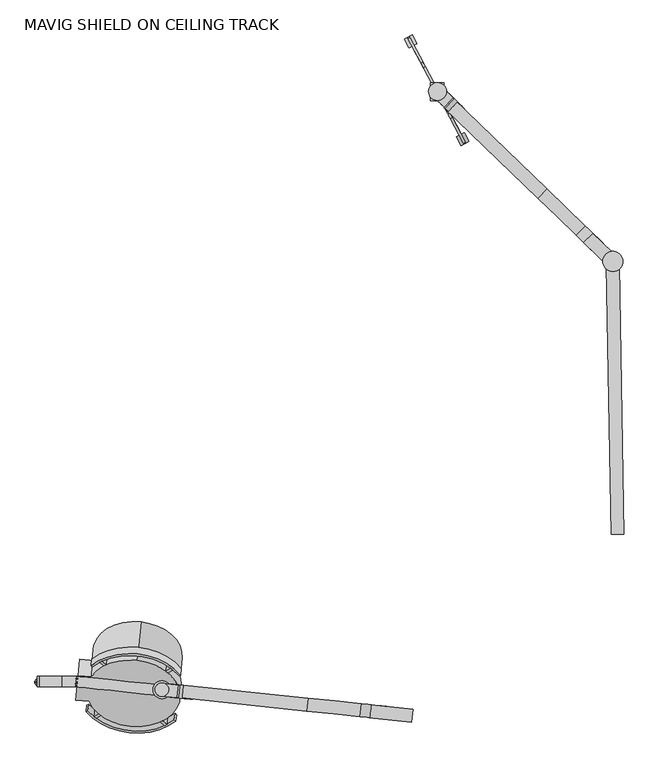
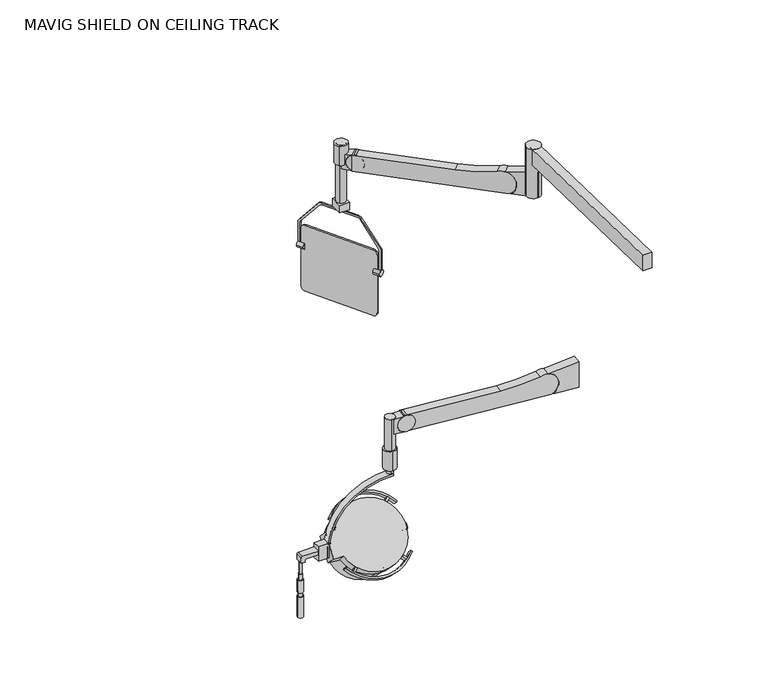
"""IFC4 building model written with IfcOpenShell, lengths in millimetres: proxy geometry, MAVIG SHIELD ON CEILING TRACK."""

from ifc_helpers import new_model, si_unit, point, frame, frame_2d, origin, place, context, project, spatial, polyline, circle_curve, ellipse_curve, trimmed, segment, composite_curve, outline, extrude, source, transform, mapped, element, save
from ifc_brep_helpers import plane_surface, cylinder_surface, revolved_surface, advanced_brep


def mavig_shield_on_ceiling_track_2fd9b06b(model_context):
    return source(origin(), model_context, "Body", "SolidModel", [
        advanced_brep(
        [(-1305.6702452, -813.0394482, 1924.8121858), (-1287.8350902, -643.3492828, 2095.4370521), (-1303.2106931, -789.6383728, 2071.9070769), (-1305.4358693, -810.8095105, 1927.0544067), (-1288.0694661, -645.5792206, 2093.1948312), (-1303.0127539, -787.7551075, 2070.0134381)],
        [
            (0, 1, circle_curve(frame((-1296.7526677, -728.1943655, 2010.124619), z_axis=(-0.07391278520356967, -0.703233176253404, 0.7071067811865475), x_axis=(0.07391278520356882, 0.7032331762534039, 0.7071067811865477)), 120.65)),
            (1, 2, circle_curve(frame((-1291.6310542, -679.465468, 1850.9185502), z_axis=(0.994521895368273, -0.1045284632676576, 0.0), x_axis=(-0.10452846326765822, -0.994521895368273, 0.0)), 247.2004974)),
            (2, 0, circle_curve(frame((-1280.111102, -569.8604443, 1961.127309), z_axis=(0.9945218953682734, -0.10452846326765301, 0.0), x_axis=(0.0, 0.0, 1.0000000000000002)), 247.2004974)),
            (1, 0, circle_curve(frame((-1296.7526677, -728.1943655, 2010.124619), z_axis=(-0.07391278520356967, -0.703233176253404, 0.7071067811865475), x_axis=(0.07391278520356882, 0.7032331762534039, 0.7071067811865477)), 120.65)),
            (3, 4, circle_curve(frame((-1296.7526677, -728.1943655, 2010.124619), z_axis=(-0.07391278520356967, -0.703233176253404, 0.7071067811865475), x_axis=(0.07391278520356882, 0.7032331762534039, 0.7071067811865477)), 117.4790208)),
            (4, 1),
            (0, 3),
            (4, 3, circle_curve(frame((-1296.7526677, -728.1943655, 2010.124619), z_axis=(-0.07391278520356967, -0.703233176253404, 0.7071067811865475), x_axis=(0.07391278520356882, 0.7032331762534039, 0.7071067811865477)), 117.4790208)),
            (5, 4, circle_curve(frame((-1291.6310542, -679.465468, 1850.9185502), z_axis=(-0.994521895368273, 0.1045284632676576, 0.0), x_axis=(-0.10452846326765822, -0.994521895368273, 0.0)), 244.6604974)),
            (3, 5, circle_curve(frame((-1280.111102, -569.8604443, 1961.127309), z_axis=(-0.9945218953682734, 0.10452846326765301, 0.0), x_axis=(0.0, 0.0, 1.0000000000000002)), 244.6604974)),
        ],
        [
            revolved_surface(trimmed(ellipse_curve(frame((-1291.6310542, -679.465468, 1850.9185502), z_axis=(-0.994521895368273, 0.1045284632676576, 0.0), x_axis=(-0.10452846326765822, -0.994521895368273, 0.0)), 247.2004974, 247.2004974), [point((-1303.2106931, -789.6383728, 2071.9070769))], [point((-1287.8350902, -643.3492828, 2095.4370521))], True, "CARTESIAN"), (-1298.4359791, -744.2100033, 2026.2284753), (0.07391278520356967, 0.703233176253404, -0.7071067811865475)),
            revolved_surface(trimmed(ellipse_curve(frame((-1291.6310542, -679.465468, 1850.9185502), z_axis=(-0.9945218953682728, 0.10452846326765822, 0.0), x_axis=(-0.10452846326765881, -0.9945218953682728, 0.0)), 247.2004974, 247.2004974), [point((-1303.2106931, -789.6383728, 2071.9070769))], [point((-1287.8350902, -643.3492828, 2095.4370521))], True, "CARTESIAN"), (-1298.4359791, -744.2100033, 2026.2284753), (0.07391278520356967, 0.703233176253404, -0.7071067811865475)),
            plane_surface(frame((-1296.7526677, -728.1943655, 2010.124619), z_axis=(0.07391278520356884, 0.7032331762534041, -0.7071067811865475), x_axis=(0.07391278520356882, 0.7032331762534039, 0.7071067811865477))),
            revolved_surface(trimmed(ellipse_curve(frame((-1291.6310542, -679.465468, 1850.9185502), z_axis=(0.994521895368273, -0.1045284632676576, 0.0), x_axis=(-0.10452846326765822, -0.994521895368273, 0.0)), 244.6604974, 244.6604974), [point((-1288.0694661, -645.5792206, 2093.1948312))], [point((-1303.0127539, -787.7551075, 2070.0134381))], True, "CARTESIAN"), (-1298.4359791, -744.2100033, 2026.2284753), (0.07391278520356967, 0.703233176253404, -0.7071067811865475)),
            revolved_surface(trimmed(ellipse_curve(frame((-1291.6310542, -679.465468, 1850.9185502), z_axis=(0.9945218953682728, -0.10452846326765822, 0.0), x_axis=(-0.10452846326765881, -0.9945218953682728, 0.0)), 244.6604974, 244.6604974), [point((-1288.0694661, -645.5792206, 2093.1948312))], [point((-1303.0127539, -787.7551075, 2070.0134381))], True, "CARTESIAN"), (-1298.4359791, -744.2100033, 2026.2284753), (0.07391278520356967, 0.703233176253404, -0.7071067811865475)),
        ],
        [
            (0, [[1, 2, 3]]),
            (1, [[4, -3, -2]]),
            (2, [[5, 6, -1, 7]]),
            (2, [[8, -7, -4, -6]]),
            (3, [[9, -5, 10]]),
            (4, [[-10, -8, -9]]),
        ],
    ),
        advanced_brep(
        [(-1304.1493855, -798.5694341, 2062.9268208), (-1302.2720007, -780.7073114, 2080.8873331), (-1303.2106931, -789.6383728, 2071.9070769), (-1300.8639622, -767.3107194, 2031.4959244), (-1298.9865774, -749.4485967, 2049.4564366), (-1299.9252698, -758.3796581, 2040.4761805)],
        [
            (0, 1, circle_curve(frame((-1303.2106931, -789.6383728, 2071.9070769), z_axis=(-0.07391278520356967, -0.703233176253404, 0.7071067811865475), x_axis=(0.07391278520356882, 0.7032331762534039, 0.7071067811865477)), 12.7)),
            (1, 2),
            (2, 0),
            (1, 0, circle_curve(frame((-1303.2106931, -789.6383728, 2071.9070769), z_axis=(-0.07391278520356967, -0.703233176253404, 0.7071067811865475), x_axis=(0.07391278520356882, 0.7032331762534039, 0.7071067811865477)), 12.7)),
            (3, 4, circle_curve(frame((-1299.9252698, -758.3796581, 2040.4761805), z_axis=(-0.07391278520356967, -0.703233176253404, 0.7071067811865475), x_axis=(0.07391278520356882, 0.7032331762534039, 0.7071067811865477)), 12.7)),
            (4, 1),
            (0, 3),
            (4, 3, circle_curve(frame((-1299.9252698, -758.3796581, 2040.4761805), z_axis=(-0.07391278520356967, -0.703233176253404, 0.7071067811865475), x_axis=(0.07391278520356882, 0.7032331762534039, 0.7071067811865477)), 12.7)),
            (5, 4),
            (3, 5),
        ],
        [
            plane_surface(frame((-1303.2106931, -789.6383728, 2071.9070769), z_axis=(-0.07391278520356884, -0.7032331762534041, 0.7071067811865475), x_axis=(0.07391278520356882, 0.7032331762534039, 0.7071067811865477))),
            cylinder_surface(frame((-1298.4359791, -744.2100033, 2026.2284753), z_axis=(0.07391278520356967, 0.703233176253404, -0.7071067811865475), x_axis=(0.07391278520356882, 0.7032331762534039, 0.7071067811865477)), 12.7),
            plane_surface(frame((-1299.9252698, -758.3796581, 2040.4761805), z_axis=(0.07391278520356884, 0.7032331762534041, -0.7071067811865475), x_axis=(0.07391278520356882, 0.7032331762534039, 0.7071067811865477))),
        ],
        [
            (0, [[1, 2, 3]]),
            (0, [[4, -3, -2]]),
            (1, [[5, 6, -1, 7]]),
            (1, [[8, -7, -4, -6]]),
            (2, [[9, -5, 10]]),
            (2, [[-10, -8, -9]]),
        ],
    ),
        extrude(outline(composite_curve([segment(trimmed(circle_curve(frame_2d((0.0, -107.9499999)), 107.95), [point((0.0, 0.0))], [point((0.0, -215.8999999))], False, "CARTESIAN"), True, "CONTINUOUS"), segment(trimmed(circle_curve(frame_2d((0.0, -107.9499999)), 107.95), [point((0.0, -215.8999999))], [point((0.0, 0.0))], False, "CARTESIAN"), True, "CONTINUOUS")], self_intersect=False)), frame((-1288.141506, -648.5723395, 2082.7030132), z_axis=(-0.07391278520356517, -0.7032331762534036, 0.7071067811865482), x_axis=(0.9945218953682736, -0.10452846326765139, 0.0)), (0.0, 0.0, 1.0), 5.3086505),
        advanced_brep(
        [(-1312.1282706, -874.4834555, 1986.5946438), (-1294.2931156, -704.79329, 2157.2195101), (-1303.2106931, -789.6383728, 2071.9070769), (-1305.6702452, -813.0394482, 1924.8121858), (-1287.8350902, -643.3492828, 2095.4370521), (-1303.2106931, -789.6383728, 2071.9070769)],
        [
            (0, 1, circle_curve(frame((-1303.2106931, -789.6383728, 2071.9070769), z_axis=(-0.07391278520356967, -0.703233176253404, 0.7071067811865475), x_axis=(0.07391278520356882, 0.7032331762534039, 0.7071067811865477)), 120.65)),
            (1, 2),
            (2, 0),
            (1, 0, circle_curve(frame((-1303.2106931, -789.6383728, 2071.9070769), z_axis=(-0.07391278520356967, -0.703233176253404, 0.7071067811865475), x_axis=(0.07391278520356882, 0.7032331762534039, 0.7071067811865477)), 120.65)),
            (3, 4, circle_curve(frame((-1296.7526677, -728.1943655, 2010.124619), z_axis=(-0.07391278520356967, -0.703233176253404, 0.7071067811865475), x_axis=(0.07391278520356882, 0.7032331762534039, 0.7071067811865477)), 120.65)),
            (4, 1),
            (0, 3),
            (4, 3, circle_curve(frame((-1296.7526677, -728.1943655, 2010.124619), z_axis=(-0.07391278520356967, -0.703233176253404, 0.7071067811865475), x_axis=(0.07391278520356882, 0.7032331762534039, 0.7071067811865477)), 120.65)),
            (5, 4, circle_curve(frame((-1291.6310542, -679.465468, 1850.9185502), z_axis=(-0.994521895368273, 0.1045284632676576, 0.0), x_axis=(-0.10452846326765822, -0.994521895368273, 0.0)), 247.2004974)),
            (3, 5, circle_curve(frame((-1280.111102, -569.8604443, 1961.127309), z_axis=(-0.9945218953682734, 0.10452846326765301, 0.0), x_axis=(0.0, 0.0, 1.0000000000000002)), 247.2004974)),
        ],
        [
            plane_surface(frame((-1303.2106931, -789.6383728, 2071.9070769), z_axis=(-0.07391278520356884, -0.7032331762534041, 0.7071067811865475), x_axis=(0.07391278520356882, 0.7032331762534039, 0.7071067811865477))),
            cylinder_surface(frame((-1298.4359791, -744.2100033, 2026.2284753), z_axis=(0.07391278520356967, 0.703233176253404, -0.7071067811865475), x_axis=(0.07391278520356882, 0.7032331762534039, 0.7071067811865477)), 120.65),
            revolved_surface(trimmed(ellipse_curve(frame((-1291.6310542, -679.465468, 1850.9185502), z_axis=(0.994521895368273, -0.1045284632676576, 0.0), x_axis=(-0.10452846326765822, -0.994521895368273, 0.0)), 247.2004974, 247.2004974), [point((-1287.8350902, -643.3492828, 2095.4370521))], [point((-1303.2106931, -789.6383728, 2071.9070769))], True, "CARTESIAN"), (-1298.4359791, -744.2100033, 2026.2284753), (0.07391278520356967, 0.703233176253404, -0.7071067811865475)),
            revolved_surface(trimmed(ellipse_curve(frame((-1291.6310542, -679.465468, 1850.9185502), z_axis=(0.9945218953682728, -0.10452846326765822, 0.0), x_axis=(-0.10452846326765881, -0.9945218953682728, 0.0)), 247.2004974, 247.2004974), [point((-1287.8350902, -643.3492828, 2095.4370521))], [point((-1303.2106931, -789.6383728, 2071.9070769))], True, "CARTESIAN"), (-1298.4359791, -744.2100033, 2026.2284753), (0.07391278520356967, 0.703233176253404, -0.7071067811865475)),
        ],
        [
            (0, [[1, 2, 3]]),
            (0, [[4, -3, -2]]),
            (1, [[5, 6, -1, 7]]),
            (1, [[8, -7, -4, -6]]),
            (2, [[9, -5, 10]]),
            (3, [[-10, -8, -9]]),
        ],
    ),
        advanced_brep(
        [(-1295.0465496, -714.269441, 2175.7027611), (-1313.8203971, -892.8906677, 1996.0976387), (-1286.462425, -632.596951, 2093.5803962), (-1305.2362725, -811.2181778, 1913.9752738), (-1287.8704636, -645.993543, 2080.1100121), (-1303.8282339, -797.8215858, 1927.445658), (-1294.9919085, -713.7495658, 2148.239254), (-1310.9496789, -865.5776086, 1995.5748999)],
        [
            (0, 1, circle_curve(frame((-1304.4334733, -803.5800543, 2085.9001999), z_axis=(-0.07391278520356515, -0.7032331762534036, 0.7071067811865482), x_axis=(-0.07391278520356531, -0.7032331762534051, -0.7071067811865469)), 127.0)),
            (1, 0, circle_curve(frame((-1304.4334733, -803.5800543, 2085.9001999), z_axis=(-0.07391278520356515, -0.7032331762534036, 0.7071067811865482), x_axis=(-0.07391278520356531, -0.7032331762534051, -0.7071067811865469)), 127.0)),
            (2, 3, circle_curve(frame((-1295.8493487, -721.9075644, 2003.777835), z_axis=(0.07391278520356515, 0.7032331762534036, -0.7071067811865482), x_axis=(-0.07391278520356531, -0.7032331762534051, -0.7071067811865469)), 127.0)),
            (3, 2, circle_curve(frame((-1295.8493487, -721.9075644, 2003.777835), z_axis=(0.07391278520356515, 0.7032331762534036, -0.7071067811865482), x_axis=(-0.07391278520356531, -0.7032331762534051, -0.7071067811865469)), 127.0)),
            (4, 5, circle_curve(frame((-1295.8493487, -721.9075644, 2003.777835), z_axis=(-0.0739127852035652, -0.7032331762534038, 0.7071067811865483), x_axis=(-0.07391278520356531, -0.7032331762534051, -0.7071067811865469)), 107.95)),
            (5, 4, circle_curve(frame((-1295.8493487, -721.9075644, 2003.777835), z_axis=(-0.0739127852035652, -0.7032331762534038, 0.7071067811865483), x_axis=(-0.07391278520356531, -0.7032331762534051, -0.7071067811865469)), 107.95)),
            (0, 2),
            (3, 1),
            (6, 7, circle_curve(frame((-1302.9707937, -789.6635872, 2071.9070769), z_axis=(0.0739127852035652, 0.7032331762534038, -0.7071067811865483), x_axis=(-0.07391278520356531, -0.7032331762534051, -0.7071067811865469)), 107.95)),
            (7, 6, circle_curve(frame((-1302.9707937, -789.6635872, 2071.9070769), z_axis=(0.0739127852035652, 0.7032331762534038, -0.7071067811865483), x_axis=(-0.07391278520356531, -0.7032331762534051, -0.7071067811865469)), 107.95)),
            (7, 5),
            (4, 6),
        ],
        [
            plane_surface(frame((-1313.8203971, -892.8906677, 1996.0976387), z_axis=(-0.07391278520356517, -0.7032331762534036, 0.7071067811865483), x_axis=(0.9945218953682736, -0.10452846326765138, 0.0))),
            plane_surface(frame((-1305.2362725, -811.2181778, 1913.9752738), z_axis=(0.07391278520356517, 0.7032331762534036, -0.7071067811865483), x_axis=(-0.9945218953682736, 0.10452846326765138, 0.0))),
            cylinder_surface(frame((-1295.8493487, -721.9075644, 2003.777835), z_axis=(-0.07391278520356516, -0.7032331762534038, 0.7071067811865483), x_axis=(-0.07391278520356531, -0.7032331762534051, -0.7071067811865469)), 127.0),
            plane_surface(frame((-1310.9496789, -865.5776086, 1995.5748999), z_axis=(0.07391278520356517, 0.7032331762534036, -0.7071067811865483), x_axis=(0.9945218953682736, -0.10452846326765139, 0.0))),
            revolved_surface(polyline([(-1310.9496788260976, -865.577608598772, 1995.5748999089462), (-1303.828233862725, -797.821585776555, 1927.4456579709124)]), (-1295.8493487, -721.9075644, 2003.777835), (-0.07391278520356521, -0.7032331762534039, 0.7071067811865485)),
        ],
        [
            (0, [[1, 2]]),
            (1, [[3, 4], [5, 6]]),
            (2, [[-1, 7, -4, 8]]),
            (2, [[-2, -8, -3, -7]]),
            (3, [[9, 10]]),
            (4, [[-10, 11, -5, 12]]),
            (4, [[-9, -12, -6, -11]]),
        ],
    ),
        advanced_brep(
        [(-513.8942609, 1001.8395463, 2046.4112668), (-522.8376942, 1018.6596979, 2027.3612668), (-522.8376942, 1018.6596979, 1784.8611512), (-513.8942609, 1001.8395463, 1765.8111512), (-383.4691924, 756.5456681, 1765.8111512), (-374.5257591, 739.7255165, 1784.8611512), (-374.5257591, 739.7255165, 2027.3612668), (-383.4691924, 756.5456681, 2046.4112668), (-508.4514172, 1004.7335576, 2046.4289905), (-377.9850696, 759.3620447, 2046.4289905), (-369.0829154, 742.6195278, 2027.3612668), (-369.0829154, 742.6195278, 1784.8611512), (-378.0263487, 759.4396794, 1765.8111512), (-508.4514172, 1004.7335576, 1765.8111512), (-517.3948505, 1021.5537092, 1784.8611512), (-517.3948505, 1021.5537092, 2027.3612668)],
        [
            (0, 1, circle_curve(frame((-513.8942609, 1001.8395463, 2027.3612668), z_axis=(-0.8829475928589281, -0.4694715627858887, 0.0), x_axis=(0.4694715627858887, -0.8829475928589281, 0.0)), 19.05)),
            (1, 2),
            (2, 3, circle_curve(frame((-513.8942609, 1001.8395463, 1784.8611512), z_axis=(-0.8829475928589281, -0.4694715627858887, 0.0), x_axis=(0.4694715627858887, -0.8829475928589281, 0.0)), 19.05)),
            (3, 4),
            (4, 5, circle_curve(frame((-383.4691924, 756.5456681, 1784.8611512), z_axis=(-0.8829475928589281, -0.4694715627858887, 0.0), x_axis=(0.4694715627858887, -0.8829475928589281, 0.0)), 19.05)),
            (5, 6),
            (6, 7, circle_curve(frame((-383.4691924, 756.5456681, 2027.3612668), z_axis=(-0.8829475928589281, -0.4694715627858887, 0.0), x_axis=(0.4694715627858887, -0.8829475928589281, 0.0)), 19.05)),
            (7, 0),
            (8, 9),
            (9, 10, circle_curve(frame((-378.0263487, 759.4396794, 2027.3612668), z_axis=(0.8829475928589281, 0.4694715627858887, 0.0), x_axis=(0.4694715627858887, -0.8829475928589281, 0.0)), 19.05)),
            (10, 11),
            (11, 12, circle_curve(frame((-378.0263487, 759.4396794, 1784.8611512), z_axis=(0.8829475928589281, 0.4694715627858887, 0.0), x_axis=(0.4694715627858887, -0.8829475928589281, 0.0)), 19.05)),
            (12, 13),
            (13, 14, circle_curve(frame((-508.4514172, 1004.7335576, 1784.8611512), z_axis=(0.8829475928589281, 0.4694715627858887, 0.0), x_axis=(0.4694715627858887, -0.8829475928589281, 0.0)), 19.05)),
            (14, 15),
            (15, 8, circle_curve(frame((-508.4514172, 1004.7335576, 2027.3612668), z_axis=(0.8829475928589281, 0.4694715627858887, 0.0), x_axis=(0.4694715627858887, -0.8829475928589281, 0.0)), 19.05)),
            (1, 15),
            (14, 2),
            (3, 13),
            (12, 4),
            (7, 9),
            (8, 0),
            (11, 5),
            (10, 6),
        ],
        [
            plane_surface(frame((-504.9508276, 985.0193946, 2027.3612668), z_axis=(-0.8829475928589281, -0.4694715627858887, 0.0), x_axis=(0.0, 0.0, 1.0))),
            plane_surface(frame((-499.507984, 987.9134059, 2027.3612668), z_axis=(0.8829475928589281, 0.4694715627858887, 0.0), x_axis=(0.0, 0.0, -1.0))),
            plane_surface(frame((-522.8376942, 1018.6596979, 2027.3612668), z_axis=(-0.46947156278589225, 0.8829475928589262, 0.0), x_axis=(0.8829475928589262, 0.46947156278589225, 0.0))),
            plane_surface(frame((-513.8942609, 1001.8395463, 1765.8111512), z_axis=(0.0, 0.0, -1.0000000000000002), x_axis=(0.8829475928589262, 0.46947156278589225, 0.0))),
            plane_surface(frame((-383.4279132, 756.4680334, 2046.4289905), z_axis=(0.0, 0.0, 1.0000000000000002), x_axis=(0.8829475928589262, 0.46947156278589225, 0.0))),
            cylinder_surface(frame((-508.4514172, 1004.7335576, 2027.3612668), z_axis=(-0.8829475928589281, -0.4694715627858887, 0.0), x_axis=(0.4694715627858887, -0.8829475928589281, 0.0)), 19.05),
            cylinder_surface(frame((-508.4514172, 1004.7335576, 1784.8611512), z_axis=(-0.8829475928589281, -0.4694715627858887, 0.0), x_axis=(0.4694715627858887, -0.8829475928589281, 0.0)), 19.05),
            cylinder_surface(frame((-378.0263487, 759.4396794, 1784.8611512), z_axis=(-0.8829475928589281, -0.4694715627858887, 0.0), x_axis=(0.4694715627858887, -0.8829475928589281, 0.0)), 19.05),
            plane_surface(frame((-374.5257591, 739.7255165, 1784.8611512), z_axis=(0.46947156278589225, -0.8829475928589262, 0.0), x_axis=(0.8829475928589262, 0.46947156278589225, 0.0))),
            cylinder_surface(frame((-378.0263487, 759.4396794, 2027.3612668), z_axis=(-0.8829475928589281, -0.4694715627858887, 0.0), x_axis=(0.4694715627858887, -0.8829475928589281, 0.0)), 19.05),
        ],
        [
            (0, [[1, 2, 3, 4, 5, 6, 7, 8]]),
            (1, [[9, 10, 11, 12, 13, 14, 15, 16]]),
            (2, [[-2, 17, -15, 18]]),
            (3, [[-4, 19, -13, 20]]),
            (4, [[-8, 21, -9, 22]]),
            (5, [[-1, -22, -16, -17]]),
            (6, [[-3, -18, -14, -19]]),
            (7, [[-5, -20, -12, 23]]),
            (8, [[-6, -23, -11, 24]]),
            (9, [[-7, -24, -10, -21]]),
        ],
    ),
        extrude(outline(composite_curve([segment(trimmed(circle_curve(frame_2d((0.0, -12.7)), 12.7), [point((0.0, -25.4))], [point((0.0, 0.0))], False, "CARTESIAN"), True, "CONTINUOUS"), segment(trimmed(circle_curve(frame_2d((0.0, -12.7)), 12.7), [point((0.0, 0.0))], [point((0.0, -25.4))], False, "CARTESIAN"), True, "CONTINUOUS")], self_intersect=False)), frame((-523.812155, 1000.15818, 1957.1110612), z_axis=(-0.46947156278589297, 0.8829475928589258, 0.0), x_axis=(0.0, 0.0, -1.0)), (0.0, 0.0, 1.0), 27.7312661),
        extrude(outline(composite_curve([segment(trimmed(circle_curve(frame_2d((0.0, -12.7)), 12.7), [point((0.0, -25.3999999))], [point((0.0, 0.0))], False, "CARTESIAN"), True, "CONTINUOUS"), segment(trimmed(circle_curve(frame_2d((0.0, -12.7)), 12.7), [point((0.0, 0.0))], [point((0.0, -25.3999999))], False, "CARTESIAN"), True, "CONTINUOUS")], self_intersect=False)), frame((-375.9280269, 722.0285866, 1957.1110612), z_axis=(-0.4694715627858873, 0.8829475928589289, 0.0), x_axis=(0.0, 0.0, -1.0)), (0.0, 0.0, 1.0), 27.7312661),
        extrude(outline(polyline([(-462.8551233, 850.0746977), (-462.8551233, 900.8746977), (-423.7336203, 900.8746977), (-423.7336203, 850.0746977), (-462.8551233, 850.0746977)])), frame((0.0, 0.0, 2174.6956266), z_axis=(0.0, 0.0, 1.0), x_axis=(1.0, 0.0, 0.0)), (0.0, 0.0, 1.0), 31.75),
        extrude(outline(composite_curve([segment(trimmed(circle_curve(frame_2d((0.0, -20.2693963)), 20.2693964), [point((12.7168685, -4.4855538))], [point((20.2693964, -20.2693963))], False, "CARTESIAN"), True, "CONTINUOUS"), segment(polyline([(20.2693964, -20.2693963), (20.2693964, -168.0406938)]), True, "CONTINUOUS"), segment(trimmed(circle_curve(frame_2d((0.0, -168.0406938)), 20.2693964), [point((20.2693964, -168.0406938))], [point((11.9140523, -184.4389799))], False, "CARTESIAN"), True, "CONTINUOUS"), segment(polyline([(11.9140523, -184.4389799), (-84.9796948, -262.5366206)]), True, "CONTINUOUS"), segment(trimmed(circle_curve(frame_2d((-92.4638155, -253.4593625)), 11.7647217), [point((-84.9796948, -262.5366206))], [point((-92.3622355, -265.2236457))], False, "CARTESIAN"), True, "CONTINUOUS"), segment(polyline([(-92.3622355, -265.2236457), (-177.1978944, -265.2236457), (-177.1978944, -256.6369988), (-94.1751587, -256.6369988)]), True, "CONTINUOUS"), segment(trimmed(circle_curve(frame_2d((-93.8125497, -246.9819184)), 9.661887), [point((-94.1751587, -256.6369988))], [point((-87.7322164, -254.4906872))], True, "CARTESIAN"), True, "CONTINUOUS"), segment(polyline([(-87.7322164, -254.4906872), (11.0847239, -174.4722513)]), True, "CONTINUOUS"), segment(trimmed(circle_curve(frame_2d((6.5642061, -168.8897411)), 7.1832793), [point((11.0847239, -174.4722513))], [point((13.7470195, -168.9715488))], True, "CARTESIAN"), True, "CONTINUOUS"), segment(polyline([(13.7470195, -168.9715488), (13.7470195, -15.1713537)]), True, "CONTINUOUS"), segment(trimmed(circle_curve(frame_2d((6.5642061, -15.2531615)), 7.1832793), [point((13.7470195, -15.1713537))], [point((10.9381038, -9.555046))], True, "CARTESIAN"), True, "CONTINUOUS"), segment(polyline([(10.9381038, -9.555046), (-87.9294285, 66.3360918)]), True, "CONTINUOUS"), segment(trimmed(circle_curve(frame_2d((-93.8125501, 58.6718279)), 9.661887), [point((-87.9294285, 66.3360918))], [point((-91.9442248, 68.1513543))], True, "CARTESIAN"), True, "CONTINUOUS"), segment(polyline([(-91.9442248, 68.1513543), (-177.1978944, 68.1513543), (-177.1978944, 76.9135556), (-92.3623126, 76.9135556)]), True, "CONTINUOUS"), segment(trimmed(circle_curve(frame_2d((-92.463816, 65.1492718)), 11.7647217), [point((-92.3623126, 76.9135556))], [point((-85.0827171, 74.3104975))], False, "CARTESIAN"), True, "CONTINUOUS"), segment(polyline([(-85.0827171, 74.3104975), (12.7168685, -4.4855538)]), True, "CONTINUOUS")], self_intersect=False)), frame((-403.6078411, 794.4209579, 2146.9059978), z_axis=(0.8829475928589281, 0.4694715627858887, 0.0), x_axis=(0.0, 0.0, 1.0)), (0.0, 0.0, 1.0), 6.1644017),
        advanced_brep(
        [(-1584.208122, -803.9443314, 2028.4513735), (-1570.1467767, -803.9443314, 2028.4513735), (-1571.9428855, -803.9443314, 2028.4513735), (-1582.4120132, -803.9443314, 2028.4513735), (-1584.208122, -803.9443314, 2003.0513735), (-1570.1467767, -803.9443314, 2003.0513735), (-1587.8930744, -803.9443314, 2003.0513735), (-1566.4618244, -803.9443314, 2003.0513735), (-1587.8930744, -803.9443314, 1949.888952), (-1566.4618244, -803.9443314, 1949.888952), (-1585.7004757, -803.9443314, 1933.2013735), (-1568.654423, -803.9443314, 1933.2013735), (-1568.654423, -803.9443314, 1949.888952), (-1585.7004757, -803.9443314, 1949.888952), (-1588.2899494, -803.9443314, 1933.2013735), (-1566.0649494, -803.9443314, 1933.2013735), (-1588.2899494, -803.9443314, 1844.3013735), (-1566.0649494, -803.9443314, 1844.3013735), (-1577.1774494, -803.9443314, 1844.3013735), (-1582.4120132, -803.9443314, 2079.2513735), (-1571.9428855, -803.9443314, 2079.2513735), (-1577.1774494, -803.9443314, 2079.2513735)],
        [
            (0, 1, circle_curve(frame((-1577.1774494, -803.9443314, 2028.4513735), z_axis=(0.0, 0.0, 1.0), x_axis=(1.0, 0.0, 0.0)), 7.0306726)),
            (1, 2),
            (2, 3, circle_curve(frame((-1577.1774494, -803.9443314, 2028.4513735), z_axis=(0.0, 0.0, -1.0), x_axis=(1.0, 0.0, 0.0)), 5.2345639)),
            (3, 0),
            (1, 0, circle_curve(frame((-1577.1774494, -803.9443314, 2028.4513735), z_axis=(0.0, 0.0, 1.0), x_axis=(1.0, 0.0, 0.0)), 7.0306726)),
            (3, 2, circle_curve(frame((-1577.1774494, -803.9443314, 2028.4513735), z_axis=(0.0, 0.0, -1.0), x_axis=(1.0, 0.0, 0.0)), 5.2345639)),
            (4, 5, circle_curve(frame((-1577.1774494, -803.9443314, 2003.0513735), z_axis=(0.0, 0.0, 1.0), x_axis=(1.0, 0.0, 0.0)), 7.0306726)),
            (5, 1),
            (0, 4),
            (5, 4, circle_curve(frame((-1577.1774494, -803.9443314, 2003.0513735), z_axis=(0.0, 0.0, 1.0), x_axis=(1.0, 0.0, 0.0)), 7.0306726)),
            (6, 7, circle_curve(frame((-1577.1774494, -803.9443314, 2003.0513735), z_axis=(0.0, 0.0, 1.0), x_axis=(1.0, 0.0, 0.0)), 10.715625)),
            (7, 5),
            (4, 6),
            (7, 6, circle_curve(frame((-1577.1774494, -803.9443314, 2003.0513735), z_axis=(0.0, 0.0, 1.0), x_axis=(1.0, 0.0, 0.0)), 10.715625)),
            (8, 9, circle_curve(frame((-1577.1774494, -803.9443314, 1949.888952), z_axis=(0.0, 0.0, 1.0), x_axis=(1.0, 0.0, 0.0)), 10.715625)),
            (9, 7),
            (6, 8),
            (9, 8, circle_curve(frame((-1577.1774494, -803.9443314, 1949.888952), z_axis=(0.0, 0.0, 1.0), x_axis=(1.0, 0.0, 0.0)), 10.715625)),
            (10, 11, circle_curve(frame((-1577.1774494, -803.9443314, 1933.2013735), z_axis=(0.0, 0.0, 1.0), x_axis=(1.0, 0.0, 0.0)), 8.5230263)),
            (11, 12),
            (12, 13, circle_curve(frame((-1577.1774494, -803.9443314, 1949.888952), z_axis=(0.0, 0.0, -1.0), x_axis=(1.0, 0.0, 0.0)), 8.5230263)),
            (13, 10),
            (11, 10, circle_curve(frame((-1577.1774494, -803.9443314, 1933.2013735), z_axis=(0.0, 0.0, 1.0), x_axis=(1.0, 0.0, 0.0)), 8.5230263)),
            (13, 12, circle_curve(frame((-1577.1774494, -803.9443314, 1949.888952), z_axis=(0.0, 0.0, -1.0), x_axis=(1.0, 0.0, 0.0)), 8.5230263)),
            (14, 15, circle_curve(frame((-1577.1774494, -803.9443314, 1933.2013735), z_axis=(0.0, 0.0, 1.0), x_axis=(1.0, 0.0, 0.0)), 11.1125)),
            (15, 11),
            (10, 14),
            (15, 14, circle_curve(frame((-1577.1774494, -803.9443314, 1933.2013735), z_axis=(0.0, 0.0, 1.0), x_axis=(1.0, 0.0, 0.0)), 11.1125)),
            (16, 17, circle_curve(frame((-1577.1774494, -803.9443314, 1844.3013735), z_axis=(0.0, 0.0, 1.0), x_axis=(1.0, 0.0, 0.0)), 11.1125)),
            (17, 15),
            (14, 16),
            (17, 16, circle_curve(frame((-1577.1774494, -803.9443314, 1844.3013735), z_axis=(0.0, 0.0, 1.0), x_axis=(1.0, 0.0, 0.0)), 11.1125)),
            (18, 17),
            (16, 18),
            (19, 20, circle_curve(frame((-1577.1774494, -803.9443314, 2079.2513735), z_axis=(0.0, 0.0, 1.0), x_axis=(1.0, 0.0, 0.0)), 5.2345639)),
            (20, 21),
            (21, 19),
            (20, 19, circle_curve(frame((-1577.1774494, -803.9443314, 2079.2513735), z_axis=(0.0, 0.0, 1.0), x_axis=(1.0, 0.0, 0.0)), 5.2345639)),
            (2, 20),
            (19, 3),
            (12, 9),
            (8, 13),
        ],
        [
            plane_surface(frame((-1577.1774494, -803.9443314, 2028.4513735), z_axis=(0.0, 0.0, 1.0), x_axis=(1.0, 0.0, 0.0))),
            cylinder_surface(frame((-1577.1774494, -803.9443314, 2079.2513735), z_axis=(0.0, 0.0, -1.0), x_axis=(1.0, 0.0, 0.0)), 7.0306726),
            plane_surface(frame((-1577.1774494, -803.9443314, 2003.0513735), z_axis=(0.0, 0.0, 1.0), x_axis=(1.0, 0.0, 0.0))),
            cylinder_surface(frame((-1577.1774494, -803.9443314, 2079.2513735), z_axis=(0.0, 0.0, -1.0), x_axis=(1.0, 0.0, 0.0)), 10.715625),
            cylinder_surface(frame((-1577.1774494, -803.9443314, 2079.2513735), z_axis=(0.0, 0.0, -1.0), x_axis=(1.0, 0.0, 0.0)), 8.5230263),
            plane_surface(frame((-1577.1774494, -803.9443314, 1933.2013735), z_axis=(0.0, 0.0, 1.0), x_axis=(1.0, 0.0, 0.0))),
            cylinder_surface(frame((-1577.1774494, -803.9443314, 2079.2513735), z_axis=(0.0, 0.0, -1.0), x_axis=(1.0, 0.0, 0.0)), 11.1125),
            plane_surface(frame((-1577.1774494, -803.9443314, 1844.3013735), z_axis=(0.0, 0.0, -1.0), x_axis=(1.0, 0.0, 0.0))),
            plane_surface(frame((-1577.1774494, -803.9443314, 2079.2513735), z_axis=(0.0, 0.0, 1.0), x_axis=(1.0, 0.0, 0.0))),
            cylinder_surface(frame((-1577.1774494, -803.9443314, 2079.2513735), z_axis=(0.0, 0.0, -1.0), x_axis=(1.0, 0.0, 0.0)), 5.2345639),
            plane_surface(frame((-1577.1774494, -803.9443314, 1949.888952), z_axis=(0.0, 0.0, -1.0), x_axis=(1.0, 0.0, 0.0))),
        ],
        [
            (0, [[1, 2, 3, 4]]),
            (0, [[5, -4, 6, -2]]),
            (1, [[7, 8, -1, 9]]),
            (1, [[10, -9, -5, -8]]),
            (2, [[11, 12, -7, 13]]),
            (2, [[14, -13, -10, -12]]),
            (3, [[15, 16, -11, 17]]),
            (3, [[18, -17, -14, -16]]),
            (4, [[19, 20, 21, 22]]),
            (4, [[23, -22, 24, -20]]),
            (5, [[25, 26, -19, 27]]),
            (5, [[28, -27, -23, -26]]),
            (6, [[29, 30, -25, 31]]),
            (6, [[32, -31, -28, -30]]),
            (7, [[33, -29, 34]]),
            (7, [[-34, -32, -33]]),
            (8, [[35, 36, 37]]),
            (8, [[38, -37, -36]]),
            (9, [[-3, 39, -35, 40]]),
            (9, [[-6, -40, -38, -39]]),
            (10, [[-21, 41, -15, 42]]),
            (10, [[-24, -42, -18, -41]]),
        ],
    ),
        extrude(outline(composite_curve([segment(polyline([(2091.9513735, -1560.3619797), (2091.9513735, -1511.2210105), (2107.0326235, -1511.2210105), (2107.0326235, -1574.7210105)]), True, "CONTINUOUS"), segment(trimmed(circle_curve(frame_2d((2100.6826235, -1574.7210105)), 6.35), [point((2107.0326235, -1574.7210105))], [point((2100.6826235, -1581.0710105))], False, "CARTESIAN"), True, "CONTINUOUS"), segment(polyline([(2100.6826235, -1581.0710105), (2079.2513735, -1581.0710105), (2079.2513735, -1565.9897605), (2086.3235927, -1565.9897605)]), True, "CONTINUOUS"), segment(trimmed(circle_curve(frame_2d((2086.3235927, -1560.3619797)), 5.6277808), [point((2086.3235927, -1565.9897605))], [point((2091.9513735, -1560.3619797))], True, "CARTESIAN"), True, "CONTINUOUS")], self_intersect=False)), frame((0.0, -816.7454978, 0.0), z_axis=(0.0, 1.0, 0.0), x_axis=(0.0, 0.0, 1.0)), (0.0, 0.0, 1.0), 30.2616651),
        extrude(outline(polyline([(-1511.2210105, -816.7454978), (-1511.2210105, -786.4838327), (-1461.9484859, -786.4838327), (-1461.9484859, -816.7454978), (-1511.2210105, -816.7454978)])), frame((0.0, 0.0, 2063.0952448), z_axis=(0.0, 0.0, 1.0), x_axis=(1.0, 0.0, 0.0)), (0.0, 0.0, 1.0), 62.4747574),
        extrude(outline(composite_curve([segment(trimmed(circle_curve(frame_2d((-442.6627669, 875.4746977)), 25.4), [point((-425.0184443, 893.7459287))], [point((-460.3070895, 857.2034668))], False, "CARTESIAN"), True, "CONTINUOUS"), segment(trimmed(circle_curve(frame_2d((-442.6627669, 875.4746977)), 25.4), [point((-460.3070895, 857.2034668))], [point((-425.0184443, 893.7459287))], False, "CARTESIAN"), True, "CONTINUOUS")], self_intersect=False)), frame((0.0, 0.0, 2372.395801), z_axis=(0.0, 0.0, 1.0), x_axis=(1.0, 0.0, 0.0)), (0.0, 0.0, 1.0), 81.4023591),
        extrude(outline(composite_curve([segment(trimmed(circle_curve(frame_2d((-442.6627669, 875.4746977)), 19.05), [point((-429.4295249, 889.1781209))], [point((-455.8960088, 861.7712745))], False, "CARTESIAN"), True, "CONTINUOUS"), segment(trimmed(circle_curve(frame_2d((-442.6627669, 875.4746977)), 19.05), [point((-455.8960088, 861.7712745))], [point((-429.4295249, 889.1781209))], False, "CARTESIAN"), True, "CONTINUOUS")], self_intersect=False)), frame((0.0, 0.0, 2206.4456266), z_axis=(0.0, 0.0, 1.0), x_axis=(1.0, 0.0, 0.0)), (0.0, 0.0, 1.0), 247.3525334),
        extrude(outline(composite_curve([segment(trimmed(circle_curve(frame_2d((7.3880479, -33.469286)), 34.2750106), [point((0.0, 0.0))], [point((0.0, -66.9385719))], True, "CARTESIAN"), True, "CONTINUOUS"), segment(polyline([(0.0, -66.9385719), (-47.5884878, -62.7751187), (-47.5884878, 0.0), (0.0, 0.0)]), True, "CONTINUOUS")], self_intersect=False)), frame((-421.1952184, 829.1986761, 2352.5500689), z_axis=(0.694658370459002, 0.7193398003386466, 0.0), x_axis=(0.7193398003386466, -0.694658370459002, 0.0)), (0.0, 0.0, 1.0), 36.7511439),
        extrude(outline(composite_curve([segment(trimmed(circle_curve(frame_2d((0.0, -34.2750106)), 34.2750106), [point((0.0, -68.5500212))], [point((0.0, 0.0))], False, "CARTESIAN"), True, "CONTINUOUS"), segment(trimmed(circle_curve(frame_2d((0.0, -34.2750106)), 34.2750106), [point((0.0, 0.0))], [point((0.0, -68.5500212))], False, "CARTESIAN"), True, "CONTINUOUS")], self_intersect=False)), frame((-391.2253222, 800.2570838, 2386.0193549), z_axis=(0.6946583704590019, 0.7193398003386466, 0.0), x_axis=(0.0, 0.0, 1.0)), (0.0, 0.0, 1.0), 36.7511439),
        extrude(outline(composite_curve([segment(polyline([(41.2242612, 21.6592667), (41.2242612, -76.3924791), (-68.2721908, -76.3924791), (-49.8465036, 45.4330266)]), True, "CONTINUOUS"), segment(trimmed(circle_curve(frame_2d((0.0, 50.0608718)), 50.0608717), [point((-49.8465036, 45.4330266))], [point((41.2242612, 21.6592667))], True, "CARTESIAN"), True, "CONTINUOUS")], self_intersect=False)), frame((4.1685268, 416.7737102, 2392.9338142), z_axis=(0.694658370459002, 0.7193398003386466, 0.0), x_axis=(0.0, 0.0, -1.0)), (0.0, 0.0, 1.0), 36.7511439),
        extrude(outline(composite_curve([segment(polyline([(710.5492114, 698.8665187), (710.5492114, 1069.9138415), (779.1688151, 1069.9138415), (779.1688151, 503.4843296)]), True, "CONTINUOUS"), segment(trimmed(circle_curve(frame_2d((735.4529793, 525.329056)), 48.8698923), [point((779.1688151, 503.4843296))], [point((691.4514506, 546.5924483))], False, "CARTESIAN"), True, "CONTINUOUS"), segment(trimmed(circle_curve(frame_2d((0.0, 710.6468589)), 710.646859), [point((691.4514506, 546.5924483))], [point((710.5492114, 698.8665187))], True, "CARTESIAN"), True, "CONTINUOUS")], self_intersect=False)), frame((345.8979888, 86.7694047, 3130.8783681), z_axis=(0.694658370459002, 0.7193398003386466, 0.0), x_axis=(0.0, 0.0, -1.0)), (0.0, 0.0, 1.0), 36.7511439),
        extrude(outline(composite_curve([segment(trimmed(circle_curve(frame_2d((56.1712971, 392.7134114)), 28.5779075), [point((84.744852, 393.2121647))], [point((27.5977422, 392.2146582))], False, "CARTESIAN"), True, "CONTINUOUS"), segment(trimmed(circle_curve(frame_2d((56.1712971, 392.7134114)), 28.5779075), [point((27.5977422, 392.2146582))], [point((84.744852, 393.2121647))], False, "CARTESIAN"), True, "CONTINUOUS")], self_intersect=False)), frame((0.0, 0.0, 2351.709553), z_axis=(0.0, 0.0, 1.0), x_axis=(1.0, 0.0, 0.0)), (0.0, 0.0, 1.0), 209.55),
        extrude(outline(polyline([(74.6698141, 382.3327244), (88.0328342, -383.2341812), (51.2872877, -383.8755771), (37.9242676, 381.6913285), (74.6698141, 382.3327244)])), frame((0.0, 0.0, 2495.4957127), z_axis=(0.0, 0.0, 1.0), x_axis=(1.0, 0.0, 0.0)), (0.0, 0.0, 1.0), 65.7638403),
        advanced_brep(
        [(-1317.8816643, -929.2233402, 2024.6636825), (-1298.1691245, -741.6710521, 2213.2490611), (-1428.2554124, -788.7568776, 2152.8234568), (-1465.1524714, -784.8788405, 2152.8234568), (-1472.4793898, -854.5898129, 2082.7284969), (-1434.2528075, -858.6075886, 2082.7284969), (-1294.7654582, -709.2873306, 2180.686961), (-1314.4779981, -896.8396187, 1992.1015825), (-1430.8491412, -826.2238671, 2050.1663968), (-1426.4836842, -826.6826951, 2050.1663968), (-1419.1567657, -756.9717227, 2120.2613567), (-1424.8517461, -756.3731562, 2120.2613567), (-1417.6940861, -743.0552556, 2106.2682338), (-1460.2861254, -738.5786518, 2106.2682338), (-1467.6130439, -808.2896242, 2036.1732739), (-1425.0210045, -812.766228, 2036.1732739)],
        [
            (0, 1, circle_curve(frame((-1308.0253944, -835.4471961, 2118.9563718), z_axis=(-0.07391278520356515, -0.7032331762534036, 0.7071067811865482), x_axis=(-0.07391278520356531, -0.7032331762534051, -0.7071067811865469)), 133.35)),
            (1, 2, circle_curve(frame((-1308.0253944, -835.4471961, 2118.9563718), z_axis=(-0.07391278520356515, -0.7032331762534036, 0.7071067811865482), x_axis=(-0.07391278520356531, -0.7032331762534051, -0.7071067811865469)), 133.35)),
            (2, 3),
            (3, 4),
            (4, 5),
            (5, 0, circle_curve(frame((-1308.0253944, -835.4471961, 2118.9563718), z_axis=(-0.07391278520356515, -0.7032331762534036, 0.7071067811865482), x_axis=(-0.07391278520356531, -0.7032331762534051, -0.7071067811865469)), 133.35)),
            (6, 7, circle_curve(frame((-1304.6217282, -803.0634746, 2086.3942717), z_axis=(0.07391278520356515, 0.7032331762534036, -0.7071067811865482), x_axis=(-0.07391278520356531, -0.7032331762534051, -0.7071067811865469)), 133.35)),
            (7, 8, circle_curve(frame((-1304.6217282, -803.0634746, 2086.3942717), z_axis=(0.07391278520356515, 0.7032331762534036, -0.7071067811865482), x_axis=(-0.07391278520356531, -0.7032331762534051, -0.7071067811865469)), 133.35)),
            (8, 9),
            (9, 10),
            (10, 11),
            (11, 6, circle_curve(frame((-1304.6217282, -803.0634746, 2086.3942717), z_axis=(0.07391278520356515, 0.7032331762534036, -0.7071067811865482), x_axis=(-0.07391278520356531, -0.7032331762534051, -0.7071067811865469)), 133.35)),
            (1, 6),
            (11, 2),
            (7, 0),
            (5, 8),
            (12, 13),
            (13, 3),
            (10, 12),
            (4, 14),
            (14, 15),
            (15, 9),
            (12, 15),
            (14, 13),
        ],
        [
            plane_surface(frame((-1317.8816643, -929.2233402, 2024.6636825), z_axis=(-0.07391278520356521, -0.7032331762534038, 0.7071067811865483), x_axis=(0.9945218953682736, -0.1045284632676514, 0.0))),
            plane_surface(frame((-1314.4779981, -896.8396187, 1992.1015825), z_axis=(0.07391278520356521, 0.7032331762534038, -0.7071067811865483), x_axis=(-0.9945218953682736, 0.1045284632676514, 0.0))),
            cylinder_surface(frame((-1304.6217282, -803.0634746, 2086.3942717), z_axis=(-0.07391278520356516, -0.7032331762534038, 0.7071067811865483), x_axis=(-0.07391278520356531, -0.7032331762534051, -0.7071067811865469)), 133.35),
            plane_surface(frame((-1460.2861254, -738.5786518, 2106.2682338), z_axis=(0.07391278520356691, 0.703233176253405, 0.7071067811865469), x_axis=(-0.9945218953682736, 0.10452846326765093, 0.0))),
            plane_surface(frame((-1467.6130439, -808.2896242, 2036.1732739), z_axis=(-0.07391278520356691, -0.703233176253405, -0.7071067811865469), x_axis=(0.9945218953682736, -0.10452846326765093, 0.0))),
            plane_surface(frame((-1417.6940861, -743.0552556, 2106.2682338), z_axis=(0.07391278520356293, 0.7032331762534036, -0.7071067811865488), x_axis=(-0.07391278520356726, -0.7032331762534053, -0.7071067811865465))),
            plane_surface(frame((-1460.2861254, -738.5786518, 2106.2682338), z_axis=(-0.9945218953682737, 0.104528463267651, 0.0), x_axis=(-0.07391278520356726, -0.7032331762534053, -0.7071067811865465))),
            plane_surface(frame((-1422.560432, -789.3554442, 2152.8234568), z_axis=(0.9945218953682737, -0.104528463267651, 0.0), x_axis=(-0.07391278520356726, -0.7032331762534053, -0.7071067811865465))),
        ],
        [
            (0, [[1, 2, 3, 4, 5, 6]]),
            (1, [[7, 8, 9, 10, 11, 12]]),
            (2, [[13, -12, 14, -2]]),
            (2, [[15, -6, 16, -8]]),
            (2, [[-1, -15, -7, -13]]),
            (3, [[17, 18, -3, -14, -11, 19]]),
            (4, [[20, 21, 22, -9, -16, -5]]),
            (5, [[-17, 23, -21, 24]]),
            (6, [[-18, -24, -20, -4]]),
            (7, [[-23, -19, -10, -22]]),
        ],
    ),
        extrude(outline(composite_curve([segment(trimmed(circle_curve(frame_2d((0.0, -12.7)), 12.7), [point((1e-07, -25.4))], [point((0.0, 0.0))], False, "CARTESIAN"), True, "CONTINUOUS"), segment(trimmed(circle_curve(frame_2d((0.0, -12.7)), 12.7), [point((0.0, 0.0))], [point((1e-07, -25.4))], False, "CARTESIAN"), True, "CONTINUOUS")], self_intersect=False)), frame((-1165.9192325, -824.4571923, 2113.3546941), z_axis=(-0.9945218953682732, 0.10452846326765453, 0.0), x_axis=(-0.07391278520356735, -0.7032331762534035, 0.7071067811865482)), (0.0, 0.0, 1.0), 16.4565188),
        extrude(outline(polyline([(0.0, 0.0), (3.1250724, -17.7231666), (-4.9953789, -19.1550213), (-8.372926, 0.0), (0.0, 0.0)])), frame((-1389.929605, -739.1713865, 2168.9296226), z_axis=(-0.07391278520356503, -0.7032331762534039, 0.7071067811865481), x_axis=(-0.857059275618917, -0.3177332747871823, -0.4055797876726481)), (0.0, 0.0, 1.0), 26.3141506),
        extrude(outline(polyline([(18.498546, 1e-07), (19.9524894, -8.2457224), (0.501971, -8.2457224), (0.501971, 0.0), (18.498546, 1e-07)])), frame((-1193.9185175, -750.4727613, 2178.1788956), z_axis=(-0.07391278520356509, -0.7032331762534036, 0.7071067811865483), x_axis=(-0.7554974078872302, -0.423348162480572, -0.49999999999999944)), (0.0, 0.0, 1.0), 26.3141506),
        extrude(outline(composite_curve([segment(polyline([(128.2125306, -66.0776604), (123.7224025, -70.5677884)]), True, "CONTINUOUS"), segment(trimmed(circle_curve(frame_2d((0.0, -160.9109814)), 153.1963621), [point((123.7224025, -70.5677884))], [point((-123.7224025, -70.5677884))], True, "CARTESIAN"), True, "CONTINUOUS"), segment(polyline([(-123.7224025, -70.5677884), (-128.2125305, -66.0776604)]), True, "CONTINUOUS"), segment(trimmed(circle_curve(frame_2d((0.0, -157.4262018)), 157.4262018), [point((-128.2125305, -66.0776604))], [point((128.2125306, -66.0776604))], False, "CARTESIAN"), True, "CONTINUOUS")], self_intersect=False)), frame((-1294.324643, -705.0932536, 2212.8145116), z_axis=(-0.0739127852035651, -0.7032331762534036, 0.7071067811865482), x_axis=(0.9945218953682736, -0.10452846326765133, 0.0)), (0.0, 0.0, 1.0), 26.3141506),
        extrude(outline(polyline([(18.4985461, 0.0), (19.9524893, -8.2457224), (0.5019711, -8.2457224), (0.501971, 0.0), (18.4985461, 0.0)])), frame((-1418.2423671, -883.4116635, 2022.5200194), z_axis=(-0.07391278520356505, -0.7032331762534038, 0.7071067811865482), x_axis=(0.7554974078872312, 0.42334816248057117, 0.4999999999999987)), (0.0, 0.0, 1.0), 26.3141506),
        extrude(outline(polyline([(0.0, 0.0), (3.1250724, -17.7231666), (-4.9953789, -19.1550212), (-8.3729259, 0.0), (0.0, 0.0)])), frame((-1222.2312796, -894.7130384, 2031.7692924), z_axis=(-0.07391278520356527, -0.7032331762534036, 0.7071067811865482), x_axis=(0.8570592756189218, 0.3177332747871762, 0.40557978767264263)), (0.0, 0.0, 1.0), 26.3141506),
        extrude(outline(composite_curve([segment(trimmed(circle_curve(frame_2d((-129.8531229, -26.0667767)), 157.4262018), [point((25.3999999, -1e-07))], [point((-155.9198996, -181.3198996))], False, "CARTESIAN"), True, "CONTINUOUS"), segment(polyline([(-155.9198996, -181.3198996), (-155.9198996, -174.9698996)]), True, "CONTINUOUS"), segment(trimmed(circle_curve(frame_2d((-132.3172342, -23.6026655)), 153.1963621), [point((-155.9198996, -174.9698996))], [point((19.0499999, -1e-07))], True, "CARTESIAN"), True, "CONTINUOUS"), segment(polyline([(19.0499999, -1e-07), (25.3999999, -1e-07)]), True, "CONTINUOUS")], self_intersect=False)), frame((-1201.9766999, -881.2172142, 2047.3083651), z_axis=(-0.07391278520356517, -0.7032331762534036, 0.7071067811865482), x_axis=(0.6509689446197053, -0.5711737328876315, -0.4999999999999156)), (0.0, 0.0, 1.0), 26.3141506),
        extrude(outline(composite_curve([segment(polyline([(0.0, 0.0), (6.3415605, 0.0)]), True, "CONTINUOUS"), segment(trimmed(circle_curve(frame_2d((259.6750509, -26.7712504)), 254.7441013), [point((6.3415605, 0.0))], [point((253.7031106, -281.4453423))], True, "CARTESIAN"), True, "CONTINUOUS"), segment(polyline([(253.7031106, -281.4453423), (253.7031106, -288.5484987)]), True, "CONTINUOUS"), segment(trimmed(circle_curve(frame_2d((261.517805, -25.8704226)), 262.7942943), [point((253.7031106, -288.5484987))], [point((0.0, 0.0))], False, "CARTESIAN"), True, "CONTINUOUS")], self_intersect=False)), frame((-1474.8454562, -816.4331656, 2063.0952448), z_axis=(0.10452846326765929, 0.9945218953682727, 0.0), x_axis=(0.9945218953682727, -0.10452846326765929, 0.0)), (0.0, 0.0, 1.0), 30.1143022),
        extrude(outline(composite_curve([segment(trimmed(circle_curve(frame_2d((-1227.0018995, -825.1702974)), 12.7), [point((-1228.329411, -837.8007255))], [point((-1225.674388, -812.5398693))], False, "CARTESIAN"), True, "CONTINUOUS"), segment(trimmed(circle_curve(frame_2d((-1227.0018995, -825.1702974)), 12.7), [point((-1225.674388, -812.5398693))], [point((-1228.329411, -837.8007255))], False, "CARTESIAN"), True, "CONTINUOUS")], self_intersect=False)), frame((0.0, 0.0, 2350.961509), z_axis=(0.0, 0.0, 1.0), x_axis=(1.0, 0.0, 0.0)), (0.0, 0.0, 1.0), 21.434292),
        advanced_brep(
        [(-1228.9931667, -844.1159395, 2587.8665526), (-1225.0106323, -806.2246553, 2587.8665526), (-1228.9931667, -844.1159395, 2453.79816), (-1225.0106323, -806.2246553, 2453.79816), (-1229.6569225, -850.4311535, 2453.79816), (-1224.3468765, -799.9094412, 2453.79816), (-1229.6569225, -850.4311535, 2372.395801), (-1224.3468765, -799.9094412, 2372.395801)],
        [
            (0, 1, circle_curve(frame((-1227.0018995, -825.1702974, 2587.8665526), z_axis=(0.0, 0.0, 1.0), x_axis=(0.10452846326765758, 0.9945218953682731, 0.0)), 19.05)),
            (1, 0, circle_curve(frame((-1227.0018995, -825.1702974, 2587.8665526), z_axis=(0.0, 0.0, 1.0), x_axis=(0.10452846326765758, 0.9945218953682731, 0.0)), 19.05)),
            (0, 2),
            (2, 3, circle_curve(frame((-1227.0018995, -825.1702974, 2453.79816), z_axis=(0.0, 0.0, 1.0), x_axis=(0.10452846326765758, 0.9945218953682731, 0.0)), 19.05)),
            (3, 1),
            (3, 2, circle_curve(frame((-1227.0018995, -825.1702974, 2453.79816), z_axis=(0.0, 0.0, 1.0), x_axis=(0.10452846326765758, 0.9945218953682731, 0.0)), 19.05)),
            (4, 5, circle_curve(frame((-1227.0018995, -825.1702974, 2453.79816), z_axis=(0.0, 0.0, 1.0), x_axis=(0.10452846326765758, 0.9945218953682731, 0.0)), 25.4)),
            (5, 4, circle_curve(frame((-1227.0018995, -825.1702974, 2453.79816), z_axis=(0.0, 0.0, 1.0), x_axis=(0.10452846326765758, 0.9945218953682731, 0.0)), 25.4)),
            (6, 7, circle_curve(frame((-1227.0018995, -825.1702974, 2372.395801), z_axis=(0.0, 0.0, -1.0), x_axis=(0.10452846326765758, 0.9945218953682731, 0.0)), 25.4)),
            (7, 6, circle_curve(frame((-1227.0018995, -825.1702974, 2372.395801), z_axis=(0.0, 0.0, -1.0), x_axis=(0.10452846326765758, 0.9945218953682731, 0.0)), 25.4)),
            (4, 6),
            (7, 5),
        ],
        [
            plane_surface(frame((-1225.0106323, -806.2246553, 2587.8665526), z_axis=(0.0, 0.0, 1.0000000000000002), x_axis=(-0.9945218953682731, 0.10452846326765758, 0.0))),
            cylinder_surface(frame((-1227.0018995, -825.1702974, 2453.79816), z_axis=(0.0, 0.0, 1.0000000000000002), x_axis=(0.10452846326765758, 0.9945218953682731, 0.0)), 19.05),
            plane_surface(frame((-1224.3468765, -799.9094412, 2453.79816), z_axis=(0.0, 0.0, 1.0), x_axis=(-0.994521895368273, 0.10452846326765756, 0.0))),
            plane_surface(frame((-1224.3468765, -799.9094412, 2372.395801), z_axis=(0.0, 0.0, -1.0), x_axis=(0.994521895368273, -0.10452846326765756, 0.0))),
            cylinder_surface(frame((-1227.0018995, -825.1702974, 2372.395801), z_axis=(0.0, 0.0, 1.0000000000000002), x_axis=(0.10452846326765758, 0.9945218953682731, 0.0)), 25.4),
        ],
        [
            (0, [[1, 2]]),
            (1, [[-1, 3, 4, 5]]),
            (1, [[-2, -5, 6, -3]]),
            (2, [[7, 8], [-4, -6]]),
            (3, [[9, 10]]),
            (4, [[-7, 11, -10, 12]]),
            (4, [[-8, -12, -9, -11]]),
        ],
    ),
        extrude(outline(composite_curve([segment(trimmed(circle_curve(frame_2d((0.0, 34.2750106)), 34.2750106), [point((33.469286, 41.6630585))], [point((-33.4692859, 41.6630585))], True, "CARTESIAN"), True, "CONTINUOUS"), segment(polyline([(-33.4692859, 41.6630585), (-29.3058327, 89.2515463), (33.469286, 89.2515463), (33.469286, 41.6630585)]), True, "CONTINUOUS")], self_intersect=False)), frame((-1140.1600528, -852.774533, 2554.3972667), z_axis=(0.10452846326765929, 0.9945218953682727, 0.0), x_axis=(0.0, 0.0, -1.0)), (0.0, 0.0, 1.0), 36.7511439),
        extrude(outline(composite_curve([segment(trimmed(circle_curve(frame_2d((0.0, -34.2750106)), 34.2750106), [point((0.0, -68.5500212))], [point((0.0, 0.0))], False, "CARTESIAN"), True, "CONTINUOUS"), segment(trimmed(circle_curve(frame_2d((0.0, -34.2750106)), 34.2750106), [point((0.0, 0.0))], [point((0.0, -68.5500212))], False, "CARTESIAN"), True, "CONTINUOUS")], self_intersect=False)), frame((-1140.1600528, -852.774533, 2554.3972667), z_axis=(0.10452846326765929, 0.9945218953682727, 0.0), x_axis=(0.0, 0.0, 1.0)), (0.0, 0.0, 1.0), 36.7511439),
        extrude(outline(composite_curve([segment(polyline([(-47.5358638, 0.0), (50.515882, 0.0), (50.515882, -109.496452), (-71.3096238, -91.0707648)]), True, "CONTINUOUS"), segment(trimmed(circle_curve(frame_2d((-75.9374689, -41.2242612)), 50.0608717), [point((-71.3096238, -91.0707648))], [point((-47.5358638, 0.0))], True, "CARTESIAN"), True, "CONTINUOUS")], self_intersect=False)), frame((-566.5056359, -911.8702738, 2520.0874648), z_axis=(0.1045284632676593, 0.9945218953682727, 0.0), x_axis=(0.9945218953682727, -0.1045284632676593, 0.0)), (0.0, 0.0, 1.0), 36.7511439),
        extrude(outline(composite_curve([segment(polyline([(-738.5295477, 0.0), (-367.482225, 0.0), (-367.482225, -68.6196037), (-933.9117369, -68.6196037)]), True, "CONTINUOUS"), segment(trimmed(circle_curve(frame_2d((-912.0670104, -24.9037679)), 48.8698923), [point((-933.9117369, -68.6196037))], [point((-890.8036183, 19.0977608))], False, "CARTESIAN"), True, "CONTINUOUS"), segment(trimmed(circle_curve(frame_2d((-726.7492075, 710.5492114)), 710.646859), [point((-890.8036183, 19.0977608))], [point((-738.5295477, 0.0))], True, "CARTESIAN"), True, "CONTINUOUS")], self_intersect=False)), frame((-1549.3049103, -808.5739076, 2588.7070685), z_axis=(0.10452846326765929, 0.9945218953682727, 0.0), x_axis=(-0.9945218953682727, 0.10452846326765929, 0.0)), (0.0, 0.0, 1.0), 36.7511439),
    ])


if __name__ == "__main__":
    model = new_model("IFC4")
    model_context = context("Model", 3, world=origin())
    ifc_project = project(units=[si_unit("LENGTHUNIT", "METRE", prefix="MILLI")], contexts=[model_context])
    site = spatial("IfcSite", under=ifc_project)
    building = spatial("IfcBuilding", under=site)
    placement = place(None, origin())
    mavig_shield_on_ceiling_track_shape = mavig_shield_on_ceiling_track_2fd9b06b(model_context)
    element("IfcBuildingElementProxy", 1, Name="MAVIG SHIELD ON CEILING TRACK", ObjectType="MAVIG SHIELD ON CEILING TRACK", at=placement, inside=building, context=model_context, shape_type="MappedRepresentation", body=[
        mapped(mavig_shield_on_ceiling_track_shape, transform((0.0, 0.0, 0.0), x_axis=(1.0, 0.0, 0.0), y_axis=(0.0, 1.0, 0.0), z_axis=(0.0, 0.0, 1.0))),
    ])
    save(model, "model.ifc")
